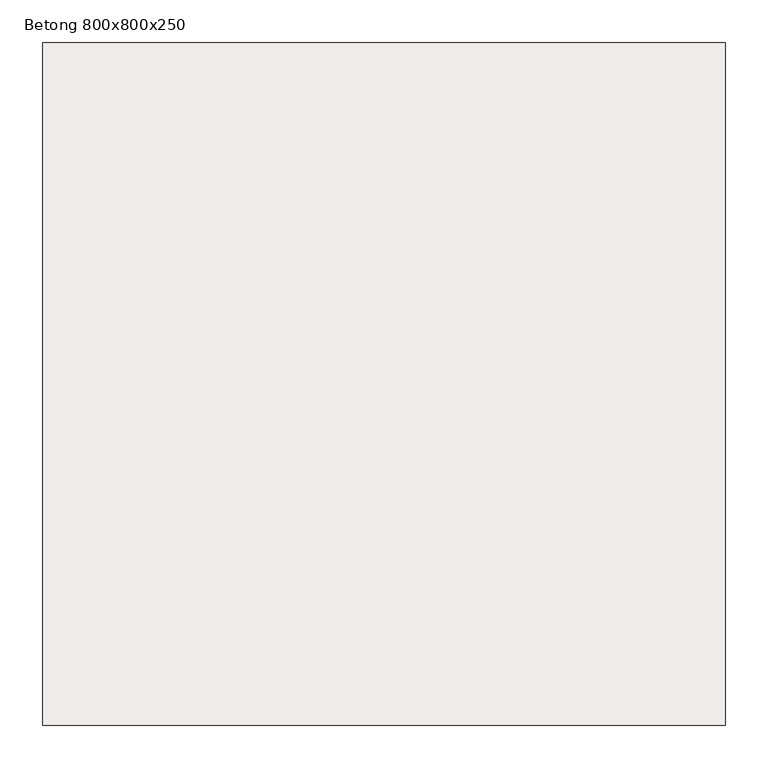
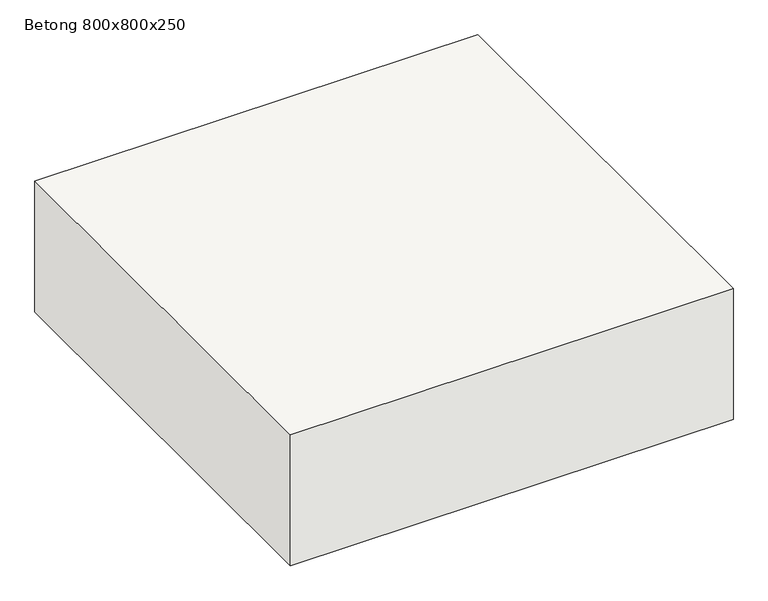
"""IFC4 building model written with IfcOpenShell, lengths in millimetres: slab geometry, Betong 800x800x250."""

from ifc_helpers import new_model, si_unit, frame, origin, place, context, project, spatial, polyline, outline, extrude, source, transform, mapped, element, save


def betong_800x800x250_f604cc63(model_context):
    return source(origin(), model_context, "Body", "SweptSolid", [
        extrude(outline(polyline([(400.0, 400.0), (400.0, -400.0), (-400.0, -400.0), (-400.0, 400.0), (400.0, 400.0)])), frame((0.0, 0.0, -250.0), z_axis=(0.0, 0.0, 1.0), x_axis=(1.0, 0.0, 0.0)), (0.0, 0.0, 1.0), 250.0),
    ])


if __name__ == "__main__":
    model = new_model("IFC4")
    model_context = context("Model", 3, world=origin())
    ifc_project = project(units=[si_unit("LENGTHUNIT", "METRE", prefix="MILLI")], contexts=[model_context])
    site = spatial("IfcSite", under=ifc_project)
    building = spatial("IfcBuilding", under=site)
    placement = place(None, origin())
    betong_800x800x250_shape = betong_800x800x250_f604cc63(model_context)
    element("IfcSlab", 1, ObjectType="Betong 800x800x250", at=placement, inside=building, context=model_context, shape_type="MappedRepresentation", body=[
        mapped(betong_800x800x250_shape, transform((0.0, 0.0, 0.0), x_axis=(1.0, 0.0, 0.0), y_axis=(0.0, 1.0, 0.0), z_axis=(0.0, 0.0, 1.0))),
    ])
    save(model, "model.ifc")
